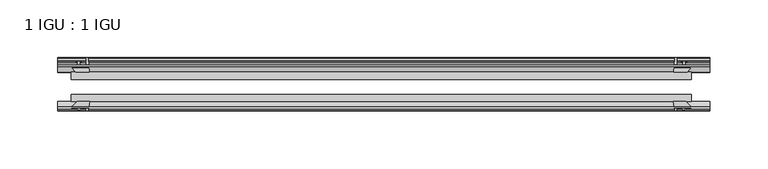
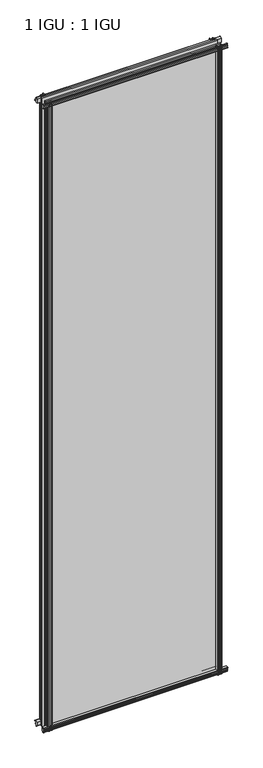
"""IFC4 building model written with IfcOpenShell, lengths in millimetres: plate geometry, 1 IGU : 1 IGU."""

from ifc_helpers import new_model, si_unit, point, frame, frame_2d, origin, place, context, project, spatial, polyline, circle_curve, trimmed, segment, composite_curve, outline, extrude, source, transform, mapped, element, save


def plate_1_igu_1_igu_dfb3af57(model_context):
    return source(origin(), model_context, "Body", "SweptSolid", [
        extrude(outline(composite_curve([segment(polyline([(-57.0900403, 1.731044), (-50.00625, 3.0983599), (-50.00625, -7.92383), (-54.1882244, -12.1058044)]), True, "CONTINUOUS"), segment(trimmed(circle_curve(frame_2d((-55.08625, -11.2077788)), 1.27), [point((-54.1882244, -12.1058044))], [point((-56.35625, -11.2077788))], False, "CARTESIAN"), True, "CONTINUOUS"), segment(polyline([(-56.35625, -11.2077788), (-56.35625, -8.0327788), (-57.835546, -5.4488186), (-56.35625, -5.1879788), (-56.35625, 0.2222212), (-57.65913, 0.0383748)]), True, "CONTINUOUS"), segment(trimmed(circle_curve(frame_2d((-56.9150839, 0.7302212)), 1.016), [point((-57.65913, 0.0383748))], [point((-57.0900403, 1.731044))], False, "CARTESIAN"), True, "CONTINUOUS")], self_intersect=False)), frame((-280.108025, 0.0, 0.0), z_axis=(1.0, 0.0, 0.0), x_axis=(0.0, 1.0, 0.0)), (0.0, 0.0, 1.0), 564.25465),
        extrude(outline(composite_curve([segment(polyline([(-24.60625, 2.5763839), (-12.8423053, 1.6478499)]), True, "CONTINUOUS"), segment(trimmed(circle_curve(frame_2d((-12.92225, 0.635)), 1.016), [point((-12.8423053, 1.6478499))], [point((-12.1291353, 0.0))], False, "CARTESIAN"), True, "CONTINUOUS"), segment(polyline([(-12.1291353, 0.0), (-18.25625, 0.0), (-18.25625, -4.953), (-15.9568457, -5.5691235), (-16.3325195, -4.1670901), (-15.4738114, -3.937), (-14.82725, -6.35), (-15.4738114, -8.763), (-16.3325195, -8.5329099), (-15.9568457, -7.1308765), (-18.25625, -7.747), (-18.25625, -12.7), (-20.28825, -12.7), (-24.60625, -9.1036931), (-24.60625, 2.5763839)]), True, "CONTINUOUS")], self_intersect=False)), frame((-280.108025, 0.0, 0.0), z_axis=(1.0, 0.0, 0.0), x_axis=(0.0, 1.0, 0.0)), (0.0, 0.0, 1.0), 564.25465),
        extrude(outline(composite_curve([segment(polyline([(-20.28825, 2019.3), (-18.25625, 2019.3), (-18.25625, 2014.347), (-15.9568457, 2013.7308765), (-16.3325195, 2015.1329099), (-15.4738114, 2015.363), (-14.82725, 2012.95), (-15.4738114, 2010.537), (-16.3325195, 2010.7670901), (-15.9568457, 2012.1691235), (-18.25625, 2011.553), (-18.25625, 2006.6), (-12.1291353, 2006.6)]), True, "CONTINUOUS"), segment(trimmed(circle_curve(frame_2d((-12.92225, 2005.965)), 1.016), [point((-12.1291353, 2006.6))], [point((-12.8423053, 2004.9521501))], False, "CARTESIAN"), True, "CONTINUOUS"), segment(polyline([(-12.8423053, 2004.9521501), (-24.60625, 2004.0236161), (-24.60625, 2015.7036931), (-20.28825, 2019.3)]), True, "CONTINUOUS")], self_intersect=False)), frame((-280.108025, 0.0, 0.0), z_axis=(1.0, 0.0, 0.0), x_axis=(0.0, 1.0, 0.0)), (0.0, 0.0, 1.0), 564.25465),
        extrude(outline(composite_curve([segment(trimmed(circle_curve(frame_2d((-56.9150839, 2005.8697788)), 1.016), [point((-57.0900403, 2004.868956))], [point((-57.65913, 2006.5616252))], False, "CARTESIAN"), True, "CONTINUOUS"), segment(polyline([(-57.65913, 2006.5616252), (-56.35625, 2006.3777788), (-56.35625, 2011.7879788), (-57.835546, 2012.0488186), (-56.35625, 2014.6327788), (-56.35625, 2017.8077788)]), True, "CONTINUOUS"), segment(trimmed(circle_curve(frame_2d((-55.08625, 2017.8077788)), 1.27), [point((-56.35625, 2017.8077788))], [point((-54.1882244, 2018.7058044))], False, "CARTESIAN"), True, "CONTINUOUS"), segment(polyline([(-54.1882244, 2018.7058044), (-50.00625, 2014.52383), (-50.00625, 2003.5016401), (-57.0900403, 2004.868956)]), True, "CONTINUOUS")], self_intersect=False)), frame((-280.108025, 0.0, 0.0), z_axis=(1.0, 0.0, 0.0), x_axis=(0.0, 1.0, 0.0)), (0.0, 0.0, 1.0), 564.25465),
        extrude(outline(composite_curve([segment(polyline([(252.9952411, -24.60625), (253.9237751, -12.8423053)]), True, "CONTINUOUS"), segment(trimmed(circle_curve(frame_2d((254.936625, -12.92225)), 1.016), [point((253.9237751, -12.8423053))], [point((255.571625, -12.1291353))], False, "CARTESIAN"), True, "CONTINUOUS"), segment(polyline([(255.571625, -12.1291353), (255.571625, -18.25625), (260.524625, -18.25625), (261.1407485, -15.9568457), (259.7387151, -16.3325195), (259.508625, -15.4738114), (261.921625, -14.82725), (264.334625, -15.4738114), (264.1045349, -16.3325195), (262.7025015, -15.9568457), (263.318625, -18.25625), (268.271625, -18.25625), (268.271625, -20.28825), (264.6753181, -24.60625), (252.9952411, -24.60625)]), True, "CONTINUOUS")], self_intersect=False)), frame((0.0, 0.0, -12.7), z_axis=(0.0, 0.0, 1.0), x_axis=(1.0, 0.0, 0.0)), (0.0, 0.0, 1.0), 2032.0),
        extrude(outline(composite_curve([segment(polyline([(260.7596038, -56.35625), (255.3494038, -56.35625), (255.5332502, -57.65913)]), True, "CONTINUOUS"), segment(trimmed(circle_curve(frame_2d((254.8414038, -56.9150839)), 1.016), [point((255.5332502, -57.65913))], [point((253.840581, -57.0900403))], False, "CARTESIAN"), True, "CONTINUOUS"), segment(polyline([(253.840581, -57.0900403), (252.4732651, -50.00625), (263.495455, -50.00625), (267.6774294, -54.1882244)]), True, "CONTINUOUS"), segment(trimmed(circle_curve(frame_2d((266.7794038, -55.08625)), 1.27), [point((267.6774294, -54.1882244))], [point((266.7794038, -56.35625))], False, "CARTESIAN"), True, "CONTINUOUS"), segment(polyline([(266.7794038, -56.35625), (263.6044038, -56.35625), (261.0204436, -57.835546), (260.7596038, -56.35625)]), True, "CONTINUOUS")], self_intersect=False)), frame((0.0, 0.0, -12.7), z_axis=(0.0, 0.0, 1.0), x_axis=(1.0, 0.0, 0.0)), (0.0, 0.0, 1.0), 2032.0),
        extrude(outline(composite_curve([segment(polyline([(-252.9952411, -24.60625), (-264.6753181, -24.60625), (-268.271625, -20.28825), (-268.271625, -18.25625), (-263.318625, -18.25625), (-262.7025015, -15.9568457), (-264.1045349, -16.3325195), (-264.334625, -15.4738114), (-261.921625, -14.82725), (-259.508625, -15.4738114), (-259.7387151, -16.3325195), (-261.1407485, -15.9568457), (-260.524625, -18.25625), (-255.571625, -18.25625), (-255.571625, -12.1291353)]), True, "CONTINUOUS"), segment(trimmed(circle_curve(frame_2d((-254.936625, -12.92225)), 1.016), [point((-255.571625, -12.1291353))], [point((-253.9237751, -12.8423053))], False, "CARTESIAN"), True, "CONTINUOUS"), segment(polyline([(-253.9237751, -12.8423053), (-252.9952411, -24.60625)]), True, "CONTINUOUS")], self_intersect=False)), frame((0.0, 0.0, -12.7), z_axis=(0.0, 0.0, 1.0), x_axis=(1.0, 0.0, 0.0)), (0.0, 0.0, 1.0), 2032.0),
        extrude(outline(composite_curve([segment(polyline([(-252.4732651, -50.00625), (-253.840581, -57.0900403)]), True, "CONTINUOUS"), segment(trimmed(circle_curve(frame_2d((-254.8414038, -56.9150839)), 1.016), [point((-253.840581, -57.0900403))], [point((-255.5332502, -57.65913))], False, "CARTESIAN"), True, "CONTINUOUS"), segment(polyline([(-255.5332502, -57.65913), (-255.3494038, -56.35625), (-260.7596038, -56.35625), (-261.0204436, -57.835546), (-263.6044038, -56.35625), (-266.7794038, -56.35625)]), True, "CONTINUOUS"), segment(trimmed(circle_curve(frame_2d((-266.7794038, -55.08625)), 1.27), [point((-266.7794038, -56.35625))], [point((-267.6774294, -54.1882244))], False, "CARTESIAN"), True, "CONTINUOUS"), segment(polyline([(-267.6774294, -54.1882244), (-263.495455, -50.00625), (-252.4732651, -50.00625)]), True, "CONTINUOUS")], self_intersect=False)), frame((0.0, 0.0, -12.7), z_axis=(0.0, 0.0, 1.0), x_axis=(1.0, 0.0, 0.0)), (0.0, 0.0, 1.0), 2032.0),
        extrude(outline(polyline([(-268.271625, -24.60625), (268.271625, -24.60625), (268.271625, -30.95625), (-268.271625, -30.95625), (-268.271625, -24.60625)])), frame((0.0, 0.0, -12.7), z_axis=(0.0, 0.0, 1.0), x_axis=(1.0, 0.0, 0.0)), (0.0, 0.0, 1.0), 2032.0),
        extrude(outline(polyline([(268.271625, -43.65625), (268.271625, -50.00625), (-268.271625, -50.00625), (-268.271625, -43.65625), (268.271625, -43.65625)])), frame((0.0, 0.0, -12.7), z_axis=(0.0, 0.0, 1.0), x_axis=(1.0, 0.0, 0.0)), (0.0, 0.0, 1.0), 2032.0),
    ])


if __name__ == "__main__":
    model = new_model("IFC4")
    model_context = context("Model", 3, world=origin())
    ifc_project = project(units=[si_unit("LENGTHUNIT", "METRE", prefix="MILLI")], contexts=[model_context])
    site = spatial("IfcSite", under=ifc_project)
    building = spatial("IfcBuilding", under=site)
    placement = place(None, origin())
    plate_1_igu_1_igu_shape = plate_1_igu_1_igu_dfb3af57(model_context)
    element("IfcPlate", 1, ObjectType="1 IGU : 1 IGU", at=placement, inside=building, context=model_context, shape_type="MappedRepresentation", body=[
        mapped(plate_1_igu_1_igu_shape, transform((0.0, 0.0, 0.0), x_axis=(1.0, 0.0, 0.0), y_axis=(0.0, 1.0, 0.0), z_axis=(0.0, 0.0, 1.0))),
    ])
    save(model, "model.ifc")
